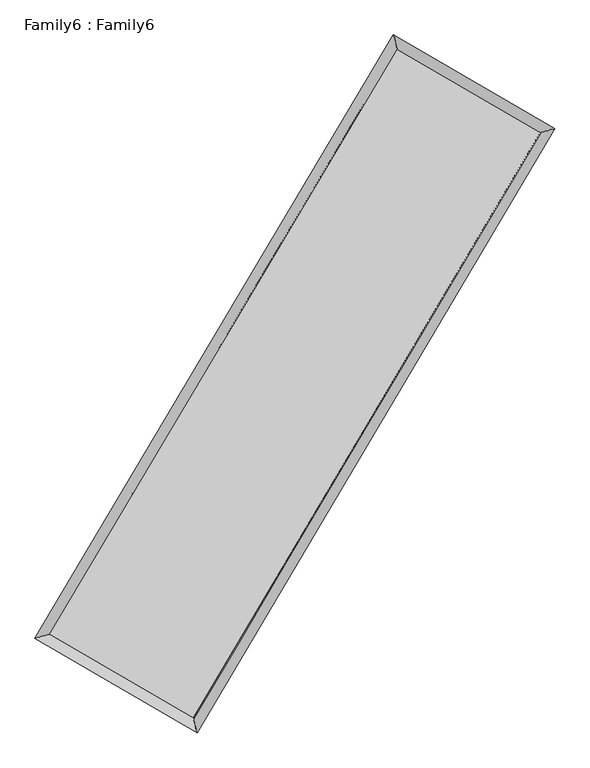
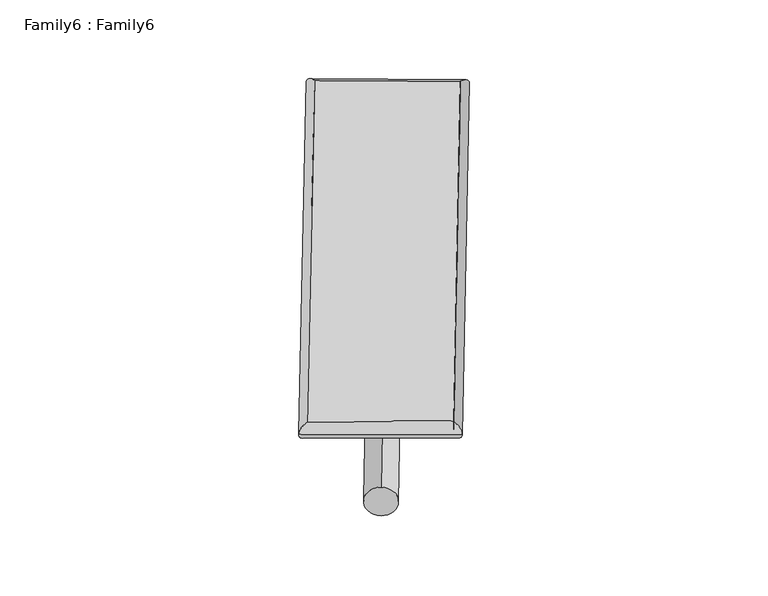
"""IFC4 building model written with IfcOpenShell, lengths in millimetres: plate geometry, Family6 : Family6."""

from ifc_helpers import new_model, si_unit, point, frame, origin, origin_2d, place, context, project, spatial, circle_curve, ellipse_curve, trimmed, segment, composite_curve, outline, extrude, source, transform, mapped, element, save
from ifc_brep_helpers import plane_surface, cylinder_surface, spline_surface, advanced_brep


def family6_family6_f54aba1a(model_context):
    return source(origin(), model_context, "Body", "SolidModel", [
        extrude(outline(composite_curve([segment(trimmed(circle_curve(origin_2d(), 76.2), [point((-75.4341514, -10.7763073))], [point((75.4341514, 10.7763073))], False, "CARTESIAN"), True, "CONTINUOUS"), segment(trimmed(circle_curve(origin_2d(), 76.2), [point((75.4341514, 10.7763073))], [point((-75.4341514, -10.7763073))], False, "CARTESIAN"), True, "CONTINUOUS")], self_intersect=False)), frame((9144.0, 9144.0, 0.0), z_axis=(0.6730042352615498, 0.68783437437976, 0.2719359717683941), x_axis=(-0.6797318187067722, 0.7201235502334083, -0.13923622745828676)), (0.0, 0.0, 1.0), 5575.545398),
        extrude(outline(composite_curve([segment(trimmed(circle_curve(origin_2d(), 76.2), [point((-53.8815367, 53.8815367))], [point((53.8815367, -53.8815367))], False, "CARTESIAN"), True, "CONTINUOUS"), segment(trimmed(circle_curve(origin_2d(), 76.2), [point((53.8815367, -53.8815367))], [point((-53.8815367, 53.8815367))], False, "CARTESIAN"), True, "CONTINUOUS")], self_intersect=False)), frame((9144.0, 9144.0, 0.0), z_axis=(-0.6739149898037293, -0.6869527418969832, 0.2719090232376564), x_axis=(0.6404843655907623, -0.35977026891733427, 0.6784873845820184)), (0.0, 0.0, 1.0), 5576.3434417),
        extrude(outline(composite_curve([segment(trimmed(circle_curve(origin_2d(), 76.2), [point((-53.8815367, -53.8815368))], [point((53.8815367, 53.8815368))], False, "CARTESIAN"), True, "CONTINUOUS"), segment(trimmed(circle_curve(origin_2d(), 76.2), [point((53.8815367, 53.8815368))], [point((-53.8815367, -53.8815368))], False, "CARTESIAN"), True, "CONTINUOUS")], self_intersect=False)), frame((9144.0, 9144.0, 0.0), z_axis=(0.27960517539613583, 0.9198922085800867, 0.2749895825033133), x_axis=(-0.8390667160749353, 0.3733317176998441, -0.395715143170574)), (0.0, 0.0, 1.0), 5558.3037137),
        extrude(outline(composite_curve([segment(trimmed(circle_curve(origin_2d(), 76.2), [point((-75.4341514, 10.7763073))], [point((75.4341514, -10.7763073))], False, "CARTESIAN"), True, "CONTINUOUS"), segment(trimmed(circle_curve(origin_2d(), 76.2), [point((75.4341514, -10.7763073))], [point((-75.4341514, 10.7763073))], False, "CARTESIAN"), True, "CONTINUOUS")], self_intersect=False)), frame((9144.0, 9144.0, 0.0), z_axis=(-0.27842080144166126, -0.9202791170980033, 0.2748967150729577), x_axis=(0.8771579736371912, -0.12704490127426227, 0.4630912246468396)), (0.0, 0.0, 1.0), 5560.299697),
        advanced_brep(
        [(5176.4826169, 5258.9566374, 1517.2392959), (5595.559735, 5367.6817573, 1517.4908661), (5595.5545158, 5367.6745286, 1515.276901), (10752.0566333, 14049.4071507, 1527.1365276), (10644.2043362, 14464.6734076, 1529.8147077), (5176.4773977, 5258.9494087, 1515.0253309), (12686.961852, 12924.5108541, 1516.3238164), (13105.7694815, 13033.5927072, 1516.0588955), (7541.8292015, 4234.7819923, 1528.2796255), (7649.9646027, 3819.1626158, 1528.7366175)],
        [
            (0, 1, ellipse_curve(frame((5386.0185664, 5313.315583, 1516.2580985), z_axis=(-0.2511232765147767, 0.9679517050210902, -0.0025684118142080296), x_axis=(-0.967943653286897, -0.251132330949089, -0.0041995730369406604)), 216.4828136, 152.4)),
            (1, 2, ellipse_curve(frame((5386.0185664, 5313.315583, 1516.2580985), z_axis=(-0.2511232765147767, 0.9679517050210902, -0.0025684118142080296), x_axis=(-0.967943653286897, -0.251132330949089, -0.0041995730369406604)), 216.4828136, 152.4)),
            (2, 3),
            (3, 4, ellipse_curve(frame((10698.1304848, 14257.0402791, 1528.4756177), z_axis=(-0.9678816018025994, -0.25139328057296273, 0.0025735918087342984), x_axis=(0.2513811971944465, -0.9678787580113846, -0.004266554514670697)), 214.5262571, 152.4)),
            (4, 0),
            (2, 5, ellipse_curve(frame((5386.0185664, 5313.315583, 1516.2580985), z_axis=(-0.2511232765147767, 0.9679517050210902, -0.0025684118142080296), x_axis=(-0.967943653286897, -0.251132330949089, -0.0041995730369406604)), 216.4828136, 152.4)),
            (5, 0, ellipse_curve(frame((5386.0185664, 5313.315583, 1516.2580985), z_axis=(-0.2511232765147767, 0.9679517050210902, -0.0025684118142080296), x_axis=(-0.967943653286897, -0.251132330949089, -0.0041995730369406604)), 216.4828136, 152.4)),
            (4, 3, ellipse_curve(frame((10698.1304848, 14257.0402791, 1528.4756177), z_axis=(-0.9678816018025994, -0.25139328057296273, 0.0025735918087342984), x_axis=(0.2513811971944465, -0.9678787580113846, -0.004266554514670697)), 214.5262571, 152.4)),
            (3, 6),
            (6, 7, ellipse_curve(frame((12896.3656667, 12979.0517807, 1516.1913559), z_axis=(-0.25204671915948046, 0.9677116031668211, 0.0025892966694948407), x_axis=(-0.9677033987084992, -0.25205591740623995, 0.0042363461282480825)), 216.3915728, 152.4)),
            (7, 4),
            (7, 6, ellipse_curve(frame((12896.3656667, 12979.0517807, 1516.1913559), z_axis=(-0.25204671915948046, 0.9677116031668211, 0.0025892966694948407), x_axis=(-0.9677033987084992, -0.25205591740623995, 0.0042363461282480825)), 216.3915728, 152.4)),
            (6, 8),
            (8, 9, ellipse_curve(frame((7595.8969021, 4026.972304, 1528.5081215), z_axis=(0.9677765179469366, 0.251797844900148, 0.0025409868444337884), x_axis=(-0.25178596598270936, 0.9677736541060427, -0.004240489640545104)), 214.729349, 152.4)),
            (9, 7),
            (9, 8, ellipse_curve(frame((7595.8969021, 4026.972304, 1528.5081215), z_axis=(0.9677765179469366, 0.251797844900148, 0.0025409868444337884), x_axis=(-0.25178596598270936, 0.9677736541060427, -0.004240489640545104)), 214.729349, 152.4)),
            (8, 1),
            (5, 9),
        ],
        [
            cylinder_surface(frame((5386.0185664, 5313.315583, 1516.2580985), z_axis=(-0.510664582200633, -0.859779218779415, -0.0011744960245855473), x_axis=(-0.8597594018455571, 0.5106423984580325, 0.007623111910353968)), 152.4),
            cylinder_surface(frame((10698.1304848, 14257.0402791, 1528.4756177), z_axis=(-0.8645065328848003, 0.5025983638828531, 0.0048310683892224485), x_axis=(0.5026169157345091, 0.8644999893178049, 0.0040005608412896805)), 152.4),
            cylinder_surface(frame((12896.3656667, 12979.0517807, 1516.1913559), z_axis=(0.5094842045866316, 0.8604791942108664, -0.0011838948202735153), x_axis=(0.860479947568899, -0.5094842045866316, 0.00032420449134724563)), 152.4),
            cylinder_surface(frame((7595.8969021, 4026.972304, 1528.5081215), z_axis=(0.8642371055967452, -0.5030618990161221, 0.004790727299014954), x_axis=(-0.5030515248310823, -0.8642502893560763, -0.0032558736249206736)), 152.4),
        ],
        [
            (0, [[1, 2, 3, 4, 5]]),
            (0, [[6, 7, -5, 8, -3]]),
            (1, [[-4, 9, 10, 11]]),
            (1, [[-8, -11, 12, -9]]),
            (2, [[-10, 13, 14, 15]]),
            (2, [[-12, -15, 16, -13]]),
            (3, [[-14, 17, -1, -7, 18]]),
            (3, [[-16, -18, -6, -2, -17]]),
        ],
    ),
        extrude(outline(composite_curve([segment(trimmed(circle_curve(origin_2d(), 304.8), [point((0.0, -304.8))], [point((0.0, 304.8))], False, "CARTESIAN"), True, "CONTINUOUS"), segment(trimmed(circle_curve(origin_2d(), 304.8), [point((0.0, 304.8))], [point((0.0, -304.8))], False, "CARTESIAN"), True, "CONTINUOUS")], self_intersect=False)), frame((6485.7546337, 4646.7266051, -0.0003203), z_axis=(0.508837934928213, 0.86086233276755, 6.130903314087676e-08), x_axis=(-0.860862332767552, 0.508837934928213, 1.6764465197945412e-08)), (0.0, 0.0, 1.0), 10448.2986971),
        advanced_brep(
        [(5386.0185664, 5313.315583, 1516.2580985), (7595.8969021, 4026.972304, 1528.5081215), (7595.8963882, 4026.9734677, 1680.9081215), (5386.0180524, 5313.3167466, 1668.6580985), (12896.3656667, 12979.0517807, 1516.1913559), (12896.3651528, 12979.0529443, 1668.5913559), (10698.1304848, 14257.0402791, 1528.4756177), (10698.1299708, 14257.0414428, 1680.8756176)],
        [
            (0, 1),
            (1, 2),
            (2, 3),
            (3, 0),
            (1, 4),
            (4, 5),
            (5, 2),
            (4, 6),
            (6, 7),
            (7, 5),
            (6, 0),
            (3, 7),
        ],
        [
            plane_surface(frame((6490.9577342, 4670.1439435, 1522.38311), z_axis=(-0.5030676923124524, -0.8642470115235504, 4.90265904205334e-06), x_axis=(0.8642371055967453, -0.5030618990161219, 0.004790727299014959))),
            plane_surface(frame((10246.1312844, 8503.0120424, 1522.3497387), z_axis=(0.8604798013152306, -0.5094845547044289, 6.791991457441018e-06), x_axis=(0.5094842045866311, 0.8604791942108666, -0.0011838948202735123))),
            plane_surface(frame((11797.2480758, 13618.0460299, 1522.3334868), z_axis=(0.5026042086153005, 0.8645166334189966, -4.906280742437378e-06), x_axis=(-0.8645065328848001, 0.5025983638828532, 0.004831068389222452))),
            plane_surface(frame((8042.0745256, 9785.1779311, 1522.3668581), z_axis=(-0.8597798076898207, 0.5106649412703339, -6.798643986725083e-06), x_axis=(-0.5106645822006333, -0.8597792187794149, -0.0011744960245855442))),
            spline_surface(1, 1, [[(7595.8963882, 4026.9734677, 1680.9081215), (5386.0180524, 5313.3167466, 1668.6580985)], [(12896.3651528, 12979.0529443, 1668.5913559), (10698.1299708, 14257.0414428, 1680.8756176)]], [2, 2], [2, 2], [0.0, 1.0], [0.0, 1.0]),
            spline_surface(1, 1, [[(10698.1304848, 14257.0402791, 1528.4756177), (5386.0185664, 5313.315583, 1516.2580985)], [(12896.3656667, 12979.0517807, 1516.1913559), (7595.8969021, 4026.972304, 1528.5081215)]], [2, 2], [2, 2], [0.0, 1.0], [0.0, 1.0]),
        ],
        [
            (0, [[1, 2, 3, 4]]),
            (1, [[5, 6, 7, -2]]),
            (2, [[8, 9, 10, -6]]),
            (3, [[11, -4, 12, -9]]),
            (4, [[-3, -7, -10, -12]]),
            (5, [[-11, -8, -5, -1]]),
        ],
    ),
    ])


if __name__ == "__main__":
    model = new_model("IFC4")
    model_context = context("Model", 3, world=origin())
    ifc_project = project(units=[si_unit("LENGTHUNIT", "METRE", prefix="MILLI")], contexts=[model_context])
    site = spatial("IfcSite", under=ifc_project)
    building = spatial("IfcBuilding", under=site)
    placement = place(None, origin())
    family6_family6_shape = family6_family6_f54aba1a(model_context)
    element("IfcPlate", 1, ObjectType="Family6 : Family6", at=placement, inside=building, context=model_context, shape_type="MappedRepresentation", body=[
        mapped(family6_family6_shape, transform((0.0, 0.0, 0.0), x_axis=(1.0, 0.0, 0.0), y_axis=(0.0, 1.0, 0.0), z_axis=(0.0, 0.0, 1.0))),
    ])
    save(model, "model.ifc")
